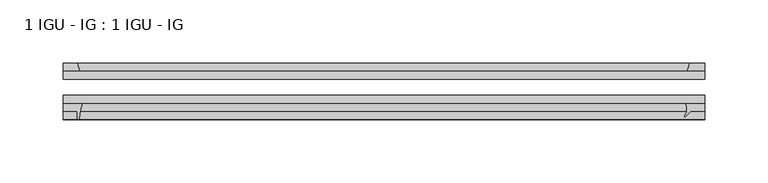
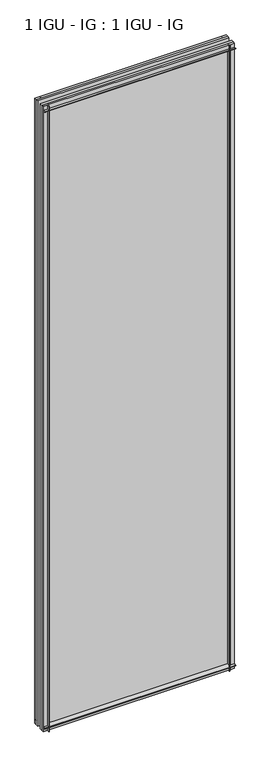
"""IFC4 building model written with IfcOpenShell, lengths in millimetres: plate geometry, 1 IGU - IG : 1 IGU - IG."""

from ifc_helpers import new_model, si_unit, point, frame, frame_2d, origin, place, context, project, spatial, polyline, circle_curve, trimmed, segment, composite_curve, outline, extrude, source, transform, mapped, element, save


def plate_1_igu_ig_1_igu_ig_9df5b595(model_context):
    return source(origin(), model_context, "Body", "SweptSolid", [
        extrude(outline(polyline([(254.0, -31.75), (254.0, -38.1), (-254.0, -38.1), (-254.0, -31.75), (254.0, -31.75)])), frame((0.0, 0.0, -11.1125), z_axis=(0.0, 0.0, 1.0), x_axis=(1.0, 0.0, 0.0)), (0.0, 0.0, 1.0), 1755.775),
        extrude(outline(polyline([(-254.0, -12.7), (254.0, -12.7), (254.0, -19.05), (-254.0, -19.05), (-254.0, -12.7)])), frame((0.0, 0.0, -11.1125), z_axis=(0.0, 0.0, 1.0), x_axis=(1.0, 0.0, 0.0)), (0.0, 0.0, 1.0), 1755.775),
        extrude(outline(polyline([(239.9410601, -12.7), (242.0463372, -6.35), (254.0, -6.35), (254.0, -12.7), (239.9410601, -12.7)])), frame((0.0, 0.0, -11.1125), z_axis=(0.0, 0.0, 1.0), x_axis=(1.0, 0.0, 0.0)), (0.0, 0.0, 1.0), 1755.775),
        extrude(outline(composite_curve([segment(trimmed(circle_curve(frame_2d((231.1489011, -42.5735189)), 8.7187667), [point((238.1488071, -47.7714232))], [point((238.632518, -38.1))], True, "CARTESIAN"), True, "CONTINUOUS"), segment(polyline([(238.632518, -38.1), (254.0, -38.1), (254.0, -44.45), (242.8875, -44.45), (238.4267906, -48.9107094)]), True, "CONTINUOUS"), segment(trimmed(circle_curve(frame_2d((238.7605826, -48.225708)), 0.762), [point((238.4267906, -48.9107094))], [point((238.1488071, -47.7714232))], False, "CARTESIAN"), True, "CONTINUOUS")], self_intersect=False)), frame((0.0, 0.0, -11.1125), z_axis=(0.0, 0.0, 1.0), x_axis=(1.0, 0.0, 0.0)), (0.0, 0.0, 1.0), 1755.775),
        extrude(outline(composite_curve([segment(polyline([(-254.0, -38.1), (-238.7063207, -38.1)]), True, "CONTINUOUS"), segment(trimmed(circle_curve(frame_2d((-195.4473044, -53.3794536)), 45.8781451), [point((-238.7063207, -38.1))], [point((-241.2075572, -50.0925922))], True, "CARTESIAN"), True, "CONTINUOUS"), segment(trimmed(circle_curve(frame_2d((-241.9675991, -50.038)), 0.762), [point((-241.2075572, -50.0925922))], [point((-241.9675991, -50.8))], False, "CARTESIAN"), True, "CONTINUOUS"), segment(polyline([(-241.9675991, -50.8), (-242.8875, -50.8), (-242.8875, -44.45), (-254.0, -44.45), (-254.0, -38.1)]), True, "CONTINUOUS")], self_intersect=False)), frame((0.0, 0.0, -11.1125), z_axis=(0.0, 0.0, 1.0), x_axis=(1.0, 0.0, 0.0)), (0.0, 0.0, 1.0), 1755.775),
        extrude(outline(polyline([(-240.7822229, -12.7), (-254.0, -12.7), (-254.0, -6.35), (-242.8875, -6.35), (-240.7822229, -12.7)])), frame((0.0, 0.0, -11.1125), z_axis=(0.0, 0.0, 1.0), x_axis=(1.0, 0.0, 0.0)), (0.0, 0.0, 1.0), 1755.775),
        extrude(outline(polyline([(-12.7, -11.1125), (-12.7, 2.1052771), (-6.35, 0.0), (-6.35, -11.1125), (-12.7, -11.1125)])), frame((-254.0, 0.0, 0.0), z_axis=(1.0, 0.0, 0.0), x_axis=(0.0, 1.0, 0.0)), (0.0, 0.0, 1.0), 508.0),
        extrude(outline(composite_curve([segment(polyline([(-38.1, 4.1811793), (-38.1, -11.1125), (-44.45, -11.1125), (-44.45, 0.0), (-50.8, 0.0), (-50.8, 0.9199009)]), True, "CONTINUOUS"), segment(trimmed(circle_curve(frame_2d((-50.038, 0.9199009)), 0.762), [point((-50.8, 0.9199009))], [point((-50.0925922, 1.6799428))], False, "CARTESIAN"), True, "CONTINUOUS"), segment(trimmed(circle_curve(frame_2d((-53.3794536, 47.4401956)), 45.8781451), [point((-50.0925922, 1.6799428))], [point((-38.1, 4.1811793))], True, "CARTESIAN"), True, "CONTINUOUS")], self_intersect=False)), frame((-254.0, 0.0, 0.0), z_axis=(1.0, 0.0, 0.0), x_axis=(0.0, 1.0, 0.0)), (0.0, 0.0, 1.0), 508.0),
        extrude(outline(polyline([(-6.35, 1733.55), (-12.7, 1731.4447229), (-12.7, 1744.6625), (-6.35, 1744.6625), (-6.35, 1733.55)])), frame((-254.0, 0.0, 0.0), z_axis=(1.0, 0.0, 0.0), x_axis=(0.0, 1.0, 0.0)), (0.0, 0.0, 1.0), 508.0),
        extrude(outline(composite_curve([segment(polyline([(-38.1, 1744.6625), (-38.1, 1729.3688207)]), True, "CONTINUOUS"), segment(trimmed(circle_curve(frame_2d((-53.3794536, 1686.1098044)), 45.8781451), [point((-38.1, 1729.3688207))], [point((-50.0925922, 1731.8700572))], True, "CARTESIAN"), True, "CONTINUOUS"), segment(trimmed(circle_curve(frame_2d((-50.038, 1732.6300991)), 0.762), [point((-50.0925922, 1731.8700572))], [point((-50.8, 1732.6300991))], False, "CARTESIAN"), True, "CONTINUOUS"), segment(polyline([(-50.8, 1732.6300991), (-50.8, 1733.55), (-44.45, 1733.55), (-44.45, 1744.6625), (-38.1, 1744.6625)]), True, "CONTINUOUS")], self_intersect=False)), frame((-254.0, 0.0, 0.0), z_axis=(1.0, 0.0, 0.0), x_axis=(0.0, 1.0, 0.0)), (0.0, 0.0, 1.0), 508.0),
    ])


if __name__ == "__main__":
    model = new_model("IFC4")
    model_context = context("Model", 3, world=origin())
    ifc_project = project(units=[si_unit("LENGTHUNIT", "METRE", prefix="MILLI")], contexts=[model_context])
    site = spatial("IfcSite", under=ifc_project)
    building = spatial("IfcBuilding", under=site)
    placement = place(None, origin())
    plate_1_igu_ig_1_igu_ig_shape = plate_1_igu_ig_1_igu_ig_9df5b595(model_context)
    element("IfcPlate", 1, ObjectType="1 IGU - IG : 1 IGU - IG", at=placement, inside=building, context=model_context, shape_type="MappedRepresentation", body=[
        mapped(plate_1_igu_ig_1_igu_ig_shape, transform((0.0, 0.0, 0.0), x_axis=(1.0, 0.0, 0.0), y_axis=(0.0, 1.0, 0.0), z_axis=(0.0, 0.0, 1.0))),
    ])
    save(model, "model.ifc")
